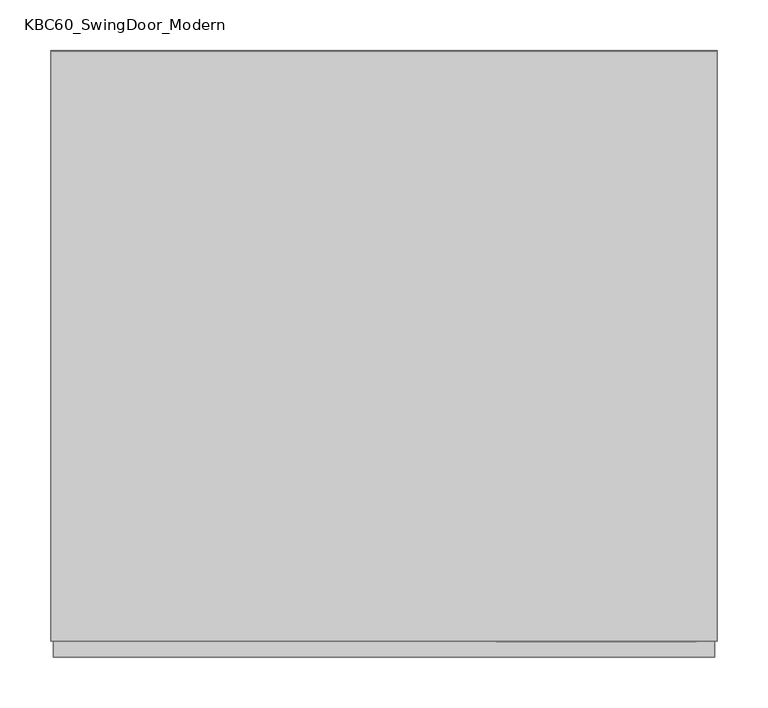
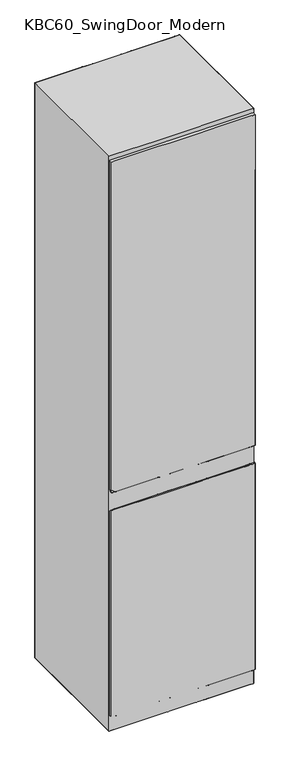
"""IFC4 building model written with IfcOpenShell, lengths in millimetres: furniture geometry, KBC60_SwingDoor_Modern."""

from ifc_helpers import new_model, si_unit, origin, place, context, project, spatial, triangles, source, transform, mapped, element, save


def kbc60_swingdoor_modern_7f71bb4e(model_context):
    return source(origin(), model_context, "Body", "Tessellation", [
        triangles([(-308.8261723, -594.3596841, 76.2000091), (-290.5381535, -594.3596875, 76.2000091), (-298.6496496, -594.3598677, 1047.8095167), (-308.8259907, -594.3598658, 1047.8095167), (-308.8261695, -579.1196805, 76.2000182), (322.5799277, -593.8994184, 76.1999046), (340.867913, -579.1196735, 76.1998955), (340.8679102, -594.3596953, 76.1998955), (-290.5381144, -579.5799392, 76.2000091), (-308.8259879, -579.1198622, 1047.8095167), (-290.537969, -579.1198656, 1018.465523), (-308.8259897, -589.1091144, 1047.8095167), (-308.8259907, -594.3598658, 1060.5095409), (-308.8259897, -589.2798525, 1060.5095409), (340.8680919, -594.1037516, 1047.8093714), (340.8680946, -579.1198552, 1047.8093714), (340.8680918, -594.359877, 1060.5094683), (-290.5379718, -594.3598692, 1047.9825439), (322.5799667, -579.1197065, 105.5437939), (-290.5379708, -589.2798559, 1060.5095409), (322.5801121, -579.1198518, 1047.8093714), (340.8680928, -589.2798455, 1060.5094683), (-290.5379354, -594.3598692, 1060.5095409), (322.5801102, -589.2798421, 1060.5094683), (-308.8259906, -594.1037405, 1047.8095167), (340.8680918, -594.359877, 1047.8093714), (322.5801093, -594.3598736, 1047.8093714), (322.5801093, -594.3598736, 1060.1193758), (-94.1298386, -594.3597057, 76.1999727), (-290.5379354, -594.3598692, 1034.5714439), (-290.5381506, -579.1196839, 76.2000091), (-94.1298358, -579.1196839, 76.1999773), (-94.1298367, -584.1526797, 76.1999773), (-94.1297177, -579.1198111, 726.9375326), (-94.1296751, -594.3598692, 1051.8583248), (-290.537969, -579.1198656, 1047.8095167), (-94.1296723, -579.1198656, 1047.8095167), (-290.5379327, -579.4266964, 1048.1930689), (-94.1296741, -589.2798559, 1060.5095409), (-94.1296729, -582.475184, 1052.0037374), (-94.1296751, -594.3598692, 1060.5095409), (-290.5379354, -594.3598692, 1047.8095167), (-94.1297205, -594.3598147, 738.0604002), (-94.1296751, -594.3598692, 1047.8095167), (-94.1298358, -579.4375606, 76.1999773), (-48.2348083, -579.4015974, 76.1999727), (-94.1296723, -579.1198656, 1027.5442566), (-48.2346448, -579.1198741, 1029.8375759), (-94.1296728, -582.2632602, 1051.73871), (-48.2346273, -583.0572972, 1052.7313093), (-94.1296744, -590.9575333, 1060.5095409), (-48.2346289, -591.2486214, 1060.5095409), (-94.1297205, -594.3598147, 747.2027201), (-48.234693, -594.3598232, 671.2687649), (-48.2346294, -594.3598777, 1047.9154696), (-48.234802, -594.3597142, 76.1999637), (-48.2348083, -579.1196924, 76.1999727), (-48.2348004, -585.3077594, 76.1999637), (-48.2347084, -579.1198195, 653.2968241), (-48.2346294, -594.3598777, 1052.8374075), (-48.2346357, -579.1198741, 1047.8095167), (-48.2346285, -589.2798644, 1060.5095409), (-48.2346274, -583.2452581, 1052.966324), (-48.2346294, -594.3598777, 1060.5095409), (-48.234693, -594.3598232, 663.1609749), (-48.2348, -583.5831191, 76.1999637), (80.2765648, -582.1709652, 76.19995), (-48.2346902, -579.1198195, 763.2489063), (80.2766971, -579.1198433, 853.2793848), (-48.2346359, -580.2696222, 1049.2466383), (80.2767327, -583.1203259, 1052.8100836), (-48.2346286, -589.8547566, 1060.5095409), (80.2767312, -591.2801112, 1060.5095409), (-48.2346476, -594.3598777, 937.8573618), (80.276667, -594.3598288, 665.2425339), (-48.2346294, -594.3598777, 1051.4000679), (80.2767306, -594.3598833, 1050.2640907), (80.2765653, -579.3123824, 76.19995), (80.2767334, -579.1198615, 1035.5236387), (80.2767323, -585.0260053, 1055.1922056), (80.276731, -592.2329782, 1060.5095409), (80.2766352, -594.3597925, 482.998389), (80.2767306, -594.3598833, 1047.8095167), (80.2765671, -594.3597016, 76.199941), (80.2765654, -579.1196798, 76.19995), (80.2765637, -588.1716346, 76.199941), (80.2766335, -579.1197707, 470.7124746), (80.2767351, -594.3598833, 1055.2647303), (80.2767334, -579.1198615, 1047.8095167), (80.2767315, -589.27987, 1060.5095409), (80.2767323, -585.154504, 1055.3529516), (80.2767351, -594.3598833, 1060.5095409), (80.2766307, -594.3597925, 477.4557767), (80.2765646, -583.3499449, 76.199941), (126.1716149, -582.560285, 76.1999319), (80.276688, -579.1198433, 778.1143507), (126.1717336, -579.1198155, 828.4562634), (80.2767328, -582.3343092, 1051.8275854), (126.1717782, -583.6307502, 1053.4480534), (80.2767312, -590.887112, 1060.5095409), (126.1717767, -591.5353186, 1060.5094683), (80.2766806, -594.3598288, 740.4074953), (126.1716945, -594.3598009, 616.4249468), (80.2767306, -594.3598833, 1051.2466616), (126.1717762, -594.3598554, 1050.6049129), (126.171606, -581.6013864, 76.1999319), (126.1717427, -579.1198155, 889.5908312), (126.1717781, -584.2700462, 1054.2471325), (126.1717767, -591.8549756, 1060.5094683), (126.1716945, -594.3597646, 555.2905243), (126.1717762, -594.3598554, 1049.8057611), (126.1716064, -579.2764011, 76.1999319), (126.17177, -579.1198518, 1037.8168854), (126.1717778, -585.8200061, 1056.1846596), (126.1717765, -592.6299828, 1060.5094683), (126.1716672, -594.3597464, 407.0644338), (126.1717762, -594.3598554, 1047.8093714), (126.1716127, -594.3596738, 76.1999319), (126.1716137, -589.3266961, 76.1999319), (126.1716519, -579.1197246, 397.0718751), (126.1717762, -594.3598554, 1056.2436676), (126.171779, -579.1198518, 1047.8093714), (126.1717772, -589.2798421, 1060.5094683), (126.1717778, -585.9245418, 1056.3153202), (126.1717762, -594.3598554, 1060.5094683), (126.1716581, -594.3597464, 402.5564604), (126.1716142, -586.4819388, 76.1999319), (322.5799303, -579.7929575, 76.1999046), (126.1716973, -579.119761, 578.4347511), (322.5801121, -579.1198518, 1004.8848112), (126.1717787, -581.0163385, 1050.1799389), (322.5801103, -588.524147, 1059.5648312), (126.171777, -590.2280946, 1060.5094683), (322.5801093, -593.9820079, 1060.5094683), (126.1717399, -594.3598373, 866.4465317), (322.5799639, -594.3597101, 148.4683268), (126.1717762, -594.3598554, 1053.8729548), (322.5801093, -594.3598736, 1048.363916), (322.5799304, -579.4343312, 76.1999046), (322.5801121, -579.1198518, 1027.749404), (322.5801103, -588.7632312, 1059.8637228), (322.5799639, -594.3597101, 125.603725), (322.5801093, -594.3598736, 1048.065097), (322.5801121, -579.1198518, 1033.3401964), (322.5799639, -594.3597101, 120.0129598), (322.5799304, -579.1340043, 76.1999046), (322.5801121, -579.1198518, 1046.8954737), (322.5801103, -588.963437, 1060.1139256), (322.5801093, -594.2016711, 1060.5094683), (322.5799639, -594.3597101, 106.4576099), (322.5799276, -594.3596919, 76.1999046), (322.5799639, -594.3597101, 106.0453621), (322.5799302, -580.0531161, 76.1999046), (322.5801121, -579.1198518, 988.299123), (322.5801104, -588.3507019, 1059.3479839), (322.5799639, -594.3597101, 165.0540423), (322.5801093, -594.3598736, 1048.5806179), (322.5801274, -594.3596919, 1157.9745947), (335.1101584, -594.3596943, 1158.2399855), (322.5801274, -594.3596919, 1158.2399855), (126.1717944, -594.3596738, 1158.2399855), (322.5801274, -594.3596919, 1190.9536137), (126.1718852, -594.3597646, 1665.3098339), (-308.8259534, -589.2797071, 1145.5401066), (-290.5379345, -589.2797105, 1145.5401066), (-308.8259543, -594.3596841, 1145.5401066), (340.8060498, -594.3596953, 1145.5400339), (-308.8259515, -579.1196987, 1158.2400581), (-308.8256972, -579.1199712, 2724.15), (-290.5376783, -579.1199746, 2676.8525963), (-308.8259543, -594.2163063, 1158.2400581), (-308.8257, -594.3599566, 2724.15), (-290.5379326, -579.1197021, 1158.2400581), (322.5801274, -594.3596919, 1145.5400339), (340.8060508, -589.2797002, 1145.5400339), (322.5801284, -589.2796968, 1145.5400339), (340.8060526, -579.1197098, 1158.2399855), (340.8060508, -589.184121, 1158.2399855), (340.806307, -579.1199824, 2724.15), (340.8063042, -594.3599497, 2724.15), (322.5803999, -594.3599463, 2724.15), (322.5801303, -579.1197065, 1205.3768612), (340.8060498, -594.3596953, 1158.2399855), (-290.5376811, -594.35996, 2724.15), (322.5804028, -579.119979, 2724.15), (-290.5379354, -594.3596875, 1145.9272923), (-290.5379354, -594.3596875, 1158.2400581), (-94.1296651, -589.2797105, 1145.5401066), (-290.5379354, -594.2062449, 1145.5401066), (-94.129666, -594.3597057, 1145.5401066), (-94.1294633, -579.1199019, 2206.9586037), (-94.129645, -579.1197202, 1158.2400581), (-290.5379344, -588.9728252, 1145.9237314), (-94.1296644, -585.9240651, 1149.7347633), (-94.1294661, -594.3598692, 2202.0468395), (-290.5376811, -594.35996, 2676.4032051), (-290.5376783, -579.1199746, 2724.15), (-94.1293725, -579.1199746, 2724.15), (-94.1293753, -594.35996, 2724.15), (-290.5376784, -579.5803026, 2724.15), (-94.1293734, -584.1534791, 2724.15), (-94.129666, -594.3597057, 1149.7744411), (-94.1296478, -594.3597057, 1158.2400581), (-94.129666, -594.3597057, 1145.8075321), (-48.2346113, -594.3597142, 1145.7772287), (-94.1296657, -592.6818648, 1145.5401066), (-48.2346109, -592.3907937, 1145.5401066), (-94.1296645, -586.1359889, 1149.4697359), (-48.2346096, -585.341878, 1150.4624079), (-48.2344387, -594.3598595, 2111.2830482), (-94.1294661, -594.3598692, 2234.8749229), (-94.1293725, -579.1199746, 2691.4871681), (-48.2343541, -579.1199831, 2695.1843262), (-94.1293734, -583.8355661, 2724.15), (-48.234337, -585.0267446, 2724.15), (-48.2346103, -589.279719, 1145.5401066), (-48.2346113, -594.3597142, 1145.5401066), (-48.234454, -579.1198741, 2088.2623604), (-48.2346175, -579.1197287, 1158.2400581), (-48.2346096, -585.1539534, 1150.6973499), (-48.2344478, -594.3598595, 2082.2234848), (-48.234345, -579.1199831, 2724.15), (-48.2343388, -594.3599685, 2724.15), (-48.2343371, -585.308686, 2724.15), (-48.2346113, -594.3597142, 1150.7462568), (-48.2346113, -594.3597142, 1158.2400581), (-48.2346113, -594.3597142, 1149.2951826), (80.2767578, -594.3597016, 1148.1069557), (-48.2346112, -593.7847311, 1145.5401066), (80.2767537, -592.3591515, 1145.5401066), (-48.2346101, -588.1298074, 1146.9775188), (80.276755, -585.2786607, 1150.5414001), (80.2769168, -594.359847, 2098.7000954), (-48.234366, -594.3599504, 2544.3917862), (-48.2344268, -579.1199104, 2265.4952923), (80.2769787, -579.1199342, 2410.6313461), (-48.2343453, -580.8448959, 2724.15), (80.2770321, -585.1215845, 2724.15), (80.2767578, -594.3597016, 1145.7022333), (80.2767538, -591.4063208, 1145.5401066), (80.2767553, -583.3729631, 1152.9235949), (80.2768668, -594.3598288, 1804.8495724), (80.2770286, -579.1199887, 2704.3500458), (80.2770315, -587.980131, 2724.15), (80.2767497, -589.2797246, 1145.5401066), (80.2767533, -594.3597016, 1145.5401066), (80.2768606, -579.1198433, 1793.9672424), (80.2767516, -579.1197162, 1158.2400581), (80.2767508, -583.2444825, 1153.0841228), (80.2768623, -594.3597925, 1785.1334793), (80.2770241, -579.1199887, 2724.15), (80.2770258, -594.3599741, 2724.15), (80.2770224, -588.1728518, 2724.15), (80.2767351, -594.3597016, 1153.1557028), (80.2767351, -594.3597016, 1158.2400581), (80.2767578, -594.3597016, 1149.0987556), (126.1717944, -594.3596738, 1148.4341887), (80.2767581, -592.7521871, 1145.5401066), (126.1717948, -592.1038158, 1145.5400339), (80.2767548, -586.0646956, 1149.558902), (126.1717962, -584.7679809, 1151.1796606), (126.1719397, -594.3598373, 2017.590802), (80.2769395, -594.3598833, 2220.6602383), (80.276956, -579.1198978, 2289.4819096), (126.1720061, -579.1199063, 2370.6385838), (80.2770323, -583.9425141, 2724.15), (126.1720685, -585.8875347, 2724.15), (126.1717944, -594.3596738, 1147.6276245), (126.1717949, -591.7841587, 1145.5400339), (126.1717963, -584.1287212, 1151.9787397), (126.1719307, -594.3598009, 1918.9418816), (126.1720243, -579.1199063, 2469.1681801), (126.1720683, -586.8464514, 2724.15), (126.1717944, -594.3596738, 1145.6718573), (126.171795, -591.0092424, 1145.5400339), (126.1717966, -582.5788158, 1153.9161215), (126.1718852, -594.3597646, 1681.257407), (126.1720697, -579.1199608, 2708.0469131), (126.1720679, -589.1712732, 2724.15), (126.1717953, -589.2796968, 1145.5400339), (126.171879, -579.1197791, 1675.2708538), (126.1717881, -579.1196883, 1158.2399855), (126.1717966, -582.4743346, 1154.0466368), (126.1720697, -579.1199608, 2724.15), (126.1720669, -594.3599463, 2724.15), (126.1717944, -594.3596738, 1154.1273731), (126.1717944, -594.3596738, 1151.7336239), (322.5801274, -594.3596919, 1146.1046797), (126.1717946, -593.4111852, 1145.5400339), (322.5801283, -589.6563816, 1145.5400339), (126.1717957, -587.3827195, 1147.9111828), (322.5801301, -579.8730217, 1157.2983278), (322.5801274, -594.3596919, 1239.9548378), (126.1720215, -594.3598918, 2424.8442867), (126.1719335, -579.1198518, 1967.6409439), (322.5804028, -579.119979, 2655.1800819), (126.1720692, -581.9654085, 2724.15), (322.5804002, -593.2299644, 2724.15), (322.5801274, -594.3596919, 1145.803826), (322.5801302, -579.6346641, 1157.5962021), (322.5801274, -594.3596919, 1213.6808601), (322.5804028, -579.119979, 2691.9208626), (322.5804001, -593.587537, 2724.15), (322.5801274, -594.3596919, 1207.3164957), (322.5804028, -579.119979, 2700.9037445), (322.5801302, -579.435076, 1157.8457508), (322.5801274, -594.3596919, 1191.9824026), (322.5804028, -579.119979, 2722.6817757), (322.5804, -593.9011988, 2724.15), (322.5801303, -579.1197065, 1158.2399855), (322.5801274, -594.3596919, 1146.322835), (322.5801301, -580.0459581, 1157.082062), (322.5801274, -594.3596919, 1259.2645603), (322.5803664, -579.1199427, 2628.5253136), (322.5804002, -592.9705325, 2724.15), (-310.8581676, -579.1196075, 1.31e-05), (-310.8581695, 0.0004943, 0.0001143), (-290.5381561, -19.3035274, 0.0001074), (126.1715974, -579.1195975, 52.7056764), (322.5799304, -579.1196156, 5.3015489), (-310.857698, -4.826028, 2724.15), (-310.8576589, -579.120098, 2743.2), (-310.8576971, 3.8e-06, 2743.2), (-310.858164, -559.8155714, 76.2000273), (342.8999292, -579.1196194, -0.0001013), (322.5798976, -559.8155977, -9.43e-05), (342.8999092, 0.0004823, 0.0), (342.8999056, -19.3035174, 76.2), (-305.7776274, -579.1200989, 2724.15), (-290.5376783, -579.1201017, 2724.6302032), (337.82035, 1.09e-05, 2724.15), (322.5804009, 1.37e-05, 2724.6302032), (342.9003997, 1e-05, 2743.2), (-290.5381525, 0.0004905, 0.0001108), (-290.5381525, 0.0004905, 76.2001181), (-94.1298376, 0.0004905, 52.7058218), (342.9004024, -574.29406, 2724.15), (342.9004016, -579.1200917, 2743.2), (-290.5376783, -579.1201017, 2743.2), (322.5804009, 1.37e-05, 2743.2), (-290.5381506, -579.1196112, 2.6275984), (-310.8581676, -579.1196075, 76.2000273), (80.2767198, -579.119807, 974.6598392), (126.1717336, -579.119761, 793.4746777), (109.7248587, -579.1198124, 1047.8095167), (-310.8579859, -579.1197891, 1047.8095894), (-310.8579839, -371.5866491, 1047.8095894), (-310.8581695, 0.0004943, 76.2001181), (342.8999292, -579.1196194, 76.1999046), (342.9000706, -207.5328348, 1047.8095894), (342.9001109, -579.1198011, 1047.8095167), (-310.8579878, 0.0003126, 1047.8097347), (-94.1298013, 0.0004905, 76.2000818), (-77.6827492, 0.0002876, 1047.8097347), (-48.2346376, 0.0002822, 974.6599846), (322.5799104, 0.0004861, 2.6275896), (342.8999092, 0.0004823, 76.2000091), (342.900109, 0.0003007, 1047.8095894), (-310.8579835, -566.3064361, 1047.8095167), (-310.8579474, -567.2711301, 1158.2400581), (329.4123804, -579.1197986, 1047.8093714), (330.4278707, -579.1198169, 1158.2399855), (322.5801303, -579.1198155, 1154.0326841), (-297.3702573, 0.0003101, 1047.8095894), (-290.5379708, 0.0003088, 1047.8095894), (-298.385675, 0.000274, 1158.2402035), (-290.5379708, 0.0002725, 1154.0329748), (342.9001066, -12.8130524, 1047.8095167), (342.9001068, -11.8484129, 1158.2400581), (-290.5381143, -579.1196476, 126.6753257), (-48.2346266, -579.1198377, 1123.4979927), (80.2767334, -579.119807, 1063.3699768), (-310.8579496, -579.1198255, 1158.2400581), (-310.8579423, -343.6109267, 1158.2400581), (342.9001381, -235.5085845, 1158.2400581), (342.9001472, -579.1198192, 1158.2399855), (-310.8579515, 0.0002763, 1158.2402035), (-48.2346194, 0.0002822, 1047.8097347), (-48.2346103, 0.000264, 1158.2402035), (80.2767588, 0.0002584, 1123.4979927), (322.5799467, 0.0004498, 126.6752802), (342.900109, 0.0002825, 1158.2400581), (-310.8579504, -387.211245, 1158.2400581), (-310.8576584, -576.424732, 2724.15), (322.5803664, -579.1200517, 2586.6985062), (126.1718426, -579.11987, 1451.496722), (-94.1296378, 0.0002725, 1158.2402035), (-290.5377165, 3.63e-05, 2586.6985062), (-94.1295924, 0.0002362, 1446.3060505), (342.9001098, -191.9082707, 1158.2400581), (342.9003992, -2.6953742, 2724.15), (-310.8576589, -578.9536837, 2724.15), (322.5803664, -579.1200517, 2567.8580864), (342.7252306, -579.1200917, 2724.15), (126.171779, -579.1197791, 1056.6269291), (-290.5377165, 3.63e-05, 2567.8580864), (-310.6825261, 3.7e-06, 2724.15), (-94.1296741, 0.0002907, 1056.6271471), (342.9003997, -0.1664043, 2724.15), (-290.537969, -579.1197929, 1054.0136438), (-310.8576589, -579.120098, 2724.15), (342.9004016, -579.1200917, 2724.15), (-310.8576971, 3.8e-06, 2724.15), (322.5801284, 0.0002863, 1158.2400581), (322.580092, 0.0003044, 1054.0136438), (342.9003997, 1e-05, 2724.15), (-310.8576583, -575.8123602, 2724.15), (126.1718426, -579.11987, 1452.2702213), (322.5804028, -579.120088, 2742.5596321), (339.418601, -579.1200911, 2724.15), (-94.1295924, 0.0001998, 1452.2703667), (-48.2345376, 0.0001914, 1597.292474), (-290.5376801, 0.0, 2742.5596321), (-307.3758965, 3.1e-06, 2724.15), (342.9003991, -3.3077278, 2724.15), (340.0631656, -579.1200912, 2724.15), (322.5803664, -579.1200517, 2616.2748985), (-308.020443, 3.2e-06, 2724.15), (-290.5377165, 3.63e-05, 2616.2748985), (-290.5381506, -579.1196112, 9.5e-06), (-94.1298095, -191.9080536, 4.29e-05), (-94.1298267, -579.1196294, -2.48e-05), (-94.1298195, 0.0004905, 7.64e-05), (-94.1293452, -579.1201017, 2730.3557259), (-290.5376801, 0.0, 2743.2), (-94.1293471, 0.0, 2743.2), (-94.1293452, -579.1201017, 2743.2), (-290.5376837, -19.3039816, 2743.2), (-94.1293372, -191.908535, 2743.2), (-94.1298539, -579.1196294, 26.1218272), (-94.1296741, 0.0002907, 1047.8097347), (-94.1297358, -579.1197202, 577.9942257), (-290.5377165, 3.63e-05, 2612.4399582), (-94.1295924, 0.0001998, 1451.4970127), (-290.5379708, 0.0002725, 1158.2402035), (-94.1296632, -579.1198292, 1109.4856213), (-290.5376783, -579.1201017, 2657.2308289), (-94.1295269, -579.1199564, 1859.4299618), (-290.5376801, 0.0, 2724.15), (-94.1293744, 0.0, 2724.15), (-94.1293744, 0.0, 2736.8341095), (-94.1298539, -579.1196294, 1.8174162), (-48.2348174, -579.1196379, 1.6127631), (-94.1298401, -13.351656, 7.41e-05), (-48.2348124, -11.8481952, 6.63e-05), (-94.1293744, 0.0, 2742.7570038), (-48.2343287, -8.5e-06, 2742.8070007), (-48.2348011, 0.000482, 46.771105), (-48.2343338, -223.6601756, 2743.2), (-94.129362, -178.556434, 2743.2), (-94.1298358, -579.1196476, 110.5567419), (-48.2348083, -579.119656, 106.4851609), (-94.1296832, 0.0002907, 967.1580442), (-48.234792, 0.000482, 76.2000727), (-94.1296723, -579.1198111, 1050.9738585), (-48.2346357, -579.1198195, 1050.2061001), (-94.1295269, -579.1199564, 1890.7329929), (-48.2345176, -579.1199286, 1680.2099419), (-94.1293725, -579.1201017, 2724.4810844), (-48.234345, -579.1201102, 2724.4432961), (-94.1293834, 0.0, 2649.8245949), (-48.2343469, -8.5e-06, 2658.2993683), (-48.2348174, -235.5083168, 2.72e-05), (-48.2348174, -579.1196379, -3.29e-05), (-48.2348102, 0.000482, 6.84e-05), (-48.234345, -579.1201102, 2731.8018585), (-48.2343287, -8.5e-06, 2743.2), (-48.234345, -579.1201102, 2743.2), (-48.234336, -235.5087937, 2743.2), (-48.2348083, -579.1196379, 32.0565212), (-48.2346993, -579.1197469, 691.9983135), (-48.2345267, -579.1199286, 1657.9035999), (-48.2343287, -8.5e-06, 2724.15), (-48.2343287, -8.5e-06, 2735.3876862), (-48.2348083, -579.1196379, 23.1804801), (80.2765608, -579.1196253, 15.8877112), (-48.2348144, -170.299034, 3.86e-05), (80.2765601, -116.7216686, 2.55e-05), (-48.2343287, -8.5e-06, 2737.5509262), (80.2770449, 4.1e-06, 2739.3281433), (80.2770393, -226.8890993, 2743.2), (-48.2343408, -65.2092913, 2743.2), (-48.2347265, -579.1197287, 518.5271433), (80.2766108, -579.1196798, 371.0847622), (80.276677, 0.0003493, 691.9983862), (-48.2348011, 0.000482, 55.3512817), (80.2765726, 0.0004583, 61.9104289), (-48.2346266, -579.1198195, 1094.519529), (80.2767334, -579.119807, 1057.4124916), (80.2767406, 0.0002948, 1047.8095894), (-48.2344177, -579.1200194, 2274.0976742), (-48.234345, -579.1201102, 2729.6511177), (80.2770241, -579.1200977, 2727.90355), (80.2768996, 0.0001494, 1956.8594799), (80.2765563, -579.1196253, 1.1053441), (80.276562, -8.1205032, 4.45e-05), (80.2770449, 4.1e-06, 2742.9305397), (80.2765635, 0.0004583, 32.0566007), (80.2770374, -335.4902715, 2743.2), (80.2765699, -579.1196616, 96.3900739), (80.2765726, 0.0004583, 76.2000545), (80.2767334, -579.119807, 1048.3022919), (80.2770241, -579.1200977, 2724.3502785), (80.2770268, 4.1e-06, 2679.3114578), (80.2765499, -343.6107447, -1.42e-05), (80.2765472, -579.1196253, -5.53e-05), (80.2765544, 0.0004583, 4.59e-05), (80.2770241, -579.1200977, 2735.3876862), (80.2770358, 4.1e-06, 2743.2), (80.2770286, -579.1200977, 2743.2), (80.2770313, -343.6112261, 2743.2), (80.2765563, -579.1196253, 46.7709778), (80.2770313, 4.1e-06, 2724.15), (80.2770313, 4.1e-06, 2731.8018585), (80.2765608, -579.1196253, 21.9712902), (126.1715883, -579.1195975, 17.9036764), (80.2765609, -161.4156702, 1.77e-05), (126.1715984, -131.5323283, 1.49e-05), (80.2770449, 4.1e-06, 2737.8456757), (126.1720769, 1.37e-05, 2738.8368942), (126.1720751, -255.6787295, 2743.2), (80.2770385, -182.1950977, 2743.2), (80.2766335, -579.1197162, 486.7321727), (126.1716519, -579.1196701, 403.9434397), (80.2765726, 0.0004583, 56.0296378), (126.1716046, 0.0004861, 59.7638212), (126.1717953, 0.0002863, 1109.4856213), (80.2767406, 0.0002948, 997.6733328), (126.1717772, 0.0003226, 1006.955179), (80.2768451, 0.0001676, 1657.9035999), (80.2767588, 0.0002584, 1158.2400581), (126.1719316, 0.0001591, 1859.4299618), (126.1718044, 0.0002863, 1158.2400581), (80.2770241, -579.1200977, 2729.3711929), (126.1720697, -579.120088, 2728.3910202), (126.1715883, -579.1195975, 12.9463652), (126.1715961, -95.1126218, 2.13e-05), (126.1720769, 1.37e-05, 2740.04496), (126.1720774, -292.0984326, 2743.2), (126.1716428, -579.1196701, 311.6177161), (126.1717045, 0.0004134, 577.9942257), (126.1716137, 0.0004861, 64.5558888), (126.1717863, 0.0003226, 1047.8095894), (126.1720697, -579.120088, 2727.1989418), (126.1719679, 0.0001409, 2101.8814419), (126.1715883, -579.1195975, 0.900691), (126.1715943, -6.6170242, 3.67e-05), (126.1720769, 1.37e-05, 2742.9805367), (126.1716046, 0.0004861, 26.1218885), (126.1720701, -380.5940154, 2743.2), (126.1716065, -579.1196338, 92.3184838), (126.1716137, 0.0004861, 76.2000454), (126.1720697, -579.120088, 2724.3124901), (126.1720679, 1.37e-05, 2687.7862312), (126.1715965, -387.2110534, -2.98e-05), (126.1715883, -579.1195975, -6.34e-05), (126.1715955, 0.0004861, 3.79e-05), (126.1720697, -579.120088, 2736.8341095), (126.1720769, 1.37e-05, 2743.2), (126.1720697, -579.120088, 2743.2), (126.1720689, -387.2115257, 2743.2), (126.1720769, 1.37e-05, 2724.15), (126.1720769, 1.37e-05, 2730.3557259), (126.1715974, -579.1195975, 38.1121404), (322.5799304, -579.1196156, 3.8335911), (126.1715891, -279.9972056, -1.11e-05), (322.5799052, -28.1643463, -1.4e-06), (126.1720769, 1.37e-05, 2733.9121948), (322.5804009, 1.37e-05, 2742.2657547), (322.5803752, -531.6512558, 2743.2), (126.1720753, -107.2138454, 2743.2), (126.1717609, -579.1197791, 967.1578989), (126.1716046, 0.0004861, 40.2289716), (322.5799104, 0.0004861, 72.5816934), (126.1717318, 0.0003771, 757.8705282), (322.580092, 0.0003044, 1018.6447998), (126.1718498, 0.0002318, 1454.2055683), (322.5803646, 3.19e-05, 2625.8711151), (126.1718044, 0.0002863, 1129.9298676), (322.5801284, 0.0002863, 1155.3924122), (126.1720697, -579.120088, 2733.2776405), (322.5804028, -579.120088, 2724.9240807), (322.5803664, -579.1200517, 2612.4399582), (322.5799304, -579.1196156, 1.8008324), (322.5799079, -13.2303378, 1.2e-06), (322.5804009, 1.37e-05, 2742.7610733), (322.5803724, -546.5852825, 2743.2), (322.5799104, 0.0004861, 74.5466943), (322.580092, 0.0003044, 1043.7001019), (322.5804009, 1.37e-05, 2657.2308289), (322.5804028, -579.120088, 2724.5095711), (322.5799304, -579.1196156, 1.3021781), (322.5799086, -9.5668987, 1.9e-06), (322.5803718, -550.2487216, 2743.2), (322.5799104, 0.0004861, 75.0287234), (322.580092, 0.0003044, 1047.8095894), (322.5804009, 1.37e-05, 2675.9936371), (322.5799304, -579.1196156, 0.0905088), (322.5799103, -0.6651709, 3.4e-06), (322.5803701, -559.150413, 2743.2), (322.5799104, 0.0004861, 76.2000091), (322.5804009, 1.37e-05, 2721.3359276), (322.5799104, 0.0004861, 3.6e-06), (322.5804028, -579.120088, 2743.2), (322.58037, -559.8160882, 2743.2), (322.5804009, 1.37e-05, 2724.15), (322.5799032, -38.9489352, -3.3e-06), (322.5804009, 1.37e-05, 2741.9082184), (322.5803772, -520.8666306, 2743.2), (322.5799104, 0.0004861, 71.1626712), (322.5801121, -579.1197973, 1048.128974), (322.580092, 0.0003044, 1000.5511368), (322.5803646, 3.19e-05, 2602.9672806), (322.5801284, 0.0002863, 1153.3359243), (322.5804028, -579.120088, 2725.2258064)], [[1, 2, 3], [1, 4, 5], [6, 7, 8], [5, 9, 1], [5, 10, 11], [5, 12, 10], [12, 13, 14], [7, 15, 8], [15, 16, 17], [3, 18, 13], [7, 19, 16], [10, 14, 20], [21, 22, 16], [13, 23, 14], [24, 17, 22], [17, 16, 22], [1, 3, 4], [4, 3, 13], [4, 13, 25], [4, 25, 5], [14, 10, 12], [25, 12, 5], [13, 12, 25], [15, 17, 26], [15, 26, 8], [7, 16, 15], [26, 27, 8], [17, 28, 26], [2, 29, 30], [2, 30, 3], [31, 9, 5], [32, 9, 31], [9, 33, 2], [9, 2, 1], [5, 11, 31], [31, 11, 34], [18, 35, 23], [18, 23, 13], [11, 10, 36], [11, 36, 37], [10, 20, 38], [38, 20, 39], [38, 36, 10], [40, 36, 38], [23, 41, 20], [23, 20, 14], [42, 3, 30], [42, 30, 43], [18, 3, 42], [18, 42, 44], [45, 33, 9], [46, 33, 45], [34, 11, 47], [34, 47, 48], [49, 37, 36], [50, 37, 49], [51, 39, 20], [52, 39, 51], [44, 42, 53], [44, 53, 54], [35, 18, 44], [35, 44, 55], [29, 56, 43], [29, 43, 30], [45, 32, 57], [9, 32, 45], [33, 58, 29], [33, 29, 2], [31, 34, 32], [32, 34, 59], [35, 60, 41], [35, 41, 23], [11, 37, 47], [47, 37, 61], [38, 39, 40], [40, 39, 62], [49, 40, 63], [36, 40, 49], [41, 64, 51], [41, 51, 20], [42, 43, 53], [53, 43, 65], [66, 58, 33], [67, 58, 66], [59, 34, 68], [59, 68, 69], [70, 61, 37], [71, 61, 70], [72, 62, 39], [73, 62, 72], [55, 44, 74], [55, 74, 75], [60, 35, 76], [60, 76, 77], [66, 46, 78], [33, 46, 66], [34, 48, 68], [68, 48, 79], [70, 50, 80], [37, 50, 70], [72, 52, 81], [39, 52, 72], [44, 54, 74], [74, 54, 82], [35, 55, 76], [76, 55, 83], [56, 84, 65], [56, 65, 43], [45, 57, 46], [46, 57, 85], [58, 86, 56], [58, 56, 29], [32, 59, 57], [57, 59, 87], [60, 88, 64], [60, 64, 41], [47, 61, 48], [48, 61, 89], [40, 62, 63], [63, 62, 90], [49, 63, 50], [50, 63, 91], [64, 92, 52], [64, 52, 51], [53, 65, 54], [54, 65, 93], [94, 86, 58], [95, 86, 94], [87, 59, 96], [87, 96, 97], [98, 89, 61], [99, 89, 98], [100, 90, 62], [101, 90, 100], [83, 55, 102], [83, 102, 103], [88, 60, 104], [88, 104, 105], [94, 67, 106], [58, 67, 94], [59, 69, 96], [96, 69, 107], [98, 71, 108], [61, 71, 98], [100, 73, 109], [62, 73, 100], [55, 75, 102], [102, 75, 110], [60, 77, 104], [104, 77, 111], [66, 78, 67], [67, 78, 112], [68, 79, 69], [69, 79, 113], [70, 80, 71], [71, 80, 114], [72, 81, 73], [73, 81, 115], [74, 82, 75], [75, 82, 116], [76, 83, 77], [77, 83, 117], [84, 118, 93], [84, 93, 65], [46, 85, 78], [78, 85, 112], [86, 119, 84], [86, 84, 56], [57, 87, 85], [85, 87, 120], [88, 121, 92], [88, 92, 64], [48, 89, 79], [79, 89, 122], [63, 90, 91], [91, 90, 123], [50, 91, 80], [80, 91, 124], [92, 125, 81], [92, 81, 52], [54, 93, 82], [82, 93, 126], [127, 119, 86], [128, 119, 127], [120, 87, 129], [120, 129, 130], [131, 122, 89], [132, 122, 131], [133, 123, 90], [134, 123, 133], [117, 83, 135], [117, 135, 136], [121, 88, 137], [121, 137, 138], [127, 95, 139], [86, 95, 127], [87, 97, 129], [129, 97, 140], [131, 99, 141], [89, 99, 131], [133, 101, 134], [90, 101, 133], [83, 103, 135], [135, 103, 142], [88, 105, 137], [137, 105, 143], [94, 106, 95], [95, 106, 139], [96, 107, 97], [97, 107, 144], [98, 108, 99], [99, 108, 141], [100, 109, 101], [101, 109, 134], [102, 110, 103], [103, 110, 145], [104, 111, 105], [105, 111, 143], [67, 112, 106], [106, 112, 146], [69, 113, 107], [107, 113, 147], [71, 114, 108], [108, 114, 148], [73, 115, 109], [109, 115, 149], [75, 116, 110], [110, 116, 150], [77, 117, 111], [111, 117, 27], [118, 151, 126], [118, 126, 93], [119, 6, 118], [119, 118, 84], [85, 120, 112], [112, 120, 19], [121, 28, 125], [121, 125, 92], [79, 122, 113], [113, 122, 21], [91, 123, 124], [124, 123, 24], [80, 124, 114], [114, 124, 148], [125, 149, 115], [125, 115, 81], [82, 126, 116], [116, 126, 152], [153, 6, 119], [7, 6, 153], [19, 120, 154], [19, 154, 16], [155, 21, 122], [22, 21, 155], [134, 24, 123], [17, 24, 134], [27, 117, 156], [27, 156, 8], [28, 121, 157], [28, 157, 26], [153, 128, 7], [119, 128, 153], [120, 130, 154], [154, 130, 16], [155, 132, 22], [122, 132, 155], [117, 136, 156], [156, 136, 8], [121, 138, 157], [157, 138, 26], [127, 139, 128], [128, 139, 7], [129, 140, 130], [130, 140, 16], [131, 141, 132], [132, 141, 22], [133, 149, 134], [134, 149, 17], [135, 142, 136], [136, 142, 8], [137, 143, 138], [138, 143, 26], [97, 144, 140], [140, 144, 16], [103, 145, 142], [142, 145, 8], [106, 146, 139], [139, 146, 7], [107, 147, 144], [144, 147, 16], [108, 148, 141], [141, 148, 22], [110, 150, 145], [145, 150, 8], [111, 27, 143], [143, 27, 26], [151, 8, 152], [151, 152, 126], [6, 8, 151], [6, 151, 118], [112, 19, 146], [146, 19, 7], [28, 17, 149], [28, 149, 125], [113, 21, 147], [147, 21, 16], [124, 24, 148], [148, 24, 22], [116, 152, 150], [150, 152, 8], [158, 159, 160], [158, 160, 161], [160, 159, 162], [160, 162, 163], [164, 165, 166], [158, 167, 159], [168, 169, 170], [166, 168, 164], [166, 171, 168], [171, 172, 169], [168, 173, 164], [174, 175, 167], [176, 177, 175], [178, 177, 179], [175, 178, 167], [159, 180, 181], [177, 182, 179], [183, 179, 180], [172, 184, 169], [185, 180, 179], [166, 186, 171], [171, 187, 172], [169, 168, 171], [175, 177, 178], [178, 179, 183], [178, 183, 167], [183, 159, 167], [180, 159, 183], [165, 188, 189], [165, 189, 166], [189, 186, 166], [190, 186, 189], [168, 170, 173], [173, 170, 191], [173, 192, 193], [173, 193, 164], [193, 165, 164], [194, 165, 193], [195, 184, 196], [196, 184, 172], [170, 169, 197], [170, 197, 198], [184, 199, 200], [184, 200, 169], [200, 197, 169], [201, 197, 200], [186, 202, 187], [186, 187, 171], [187, 203, 196], [187, 196, 172], [204, 202, 186], [205, 202, 204], [206, 190, 189], [207, 190, 206], [208, 188, 165], [209, 188, 208], [210, 199, 211], [211, 199, 184], [191, 170, 212], [191, 212, 213], [214, 198, 197], [215, 198, 214], [188, 216, 206], [188, 206, 189], [204, 190, 217], [186, 190, 204], [173, 191, 192], [192, 191, 218], [192, 219, 194], [192, 194, 193], [208, 194, 220], [165, 194, 208], [211, 195, 221], [184, 195, 211], [170, 198, 212], [212, 198, 222], [199, 223, 201], [199, 201, 200], [214, 201, 224], [197, 201, 214], [202, 225, 203], [202, 203, 187], [203, 226, 195], [203, 195, 196], [227, 225, 202], [228, 225, 227], [229, 217, 190], [230, 217, 229], [231, 216, 188], [232, 216, 231], [233, 223, 234], [234, 223, 199], [218, 191, 235], [218, 235, 236], [237, 222, 198], [238, 222, 237], [227, 205, 239], [202, 205, 227], [229, 207, 240], [190, 207, 229], [231, 209, 241], [188, 209, 231], [234, 210, 242], [199, 210, 234], [191, 213, 235], [235, 213, 243], [237, 215, 244], [198, 215, 237], [216, 245, 207], [216, 207, 206], [204, 217, 205], [205, 217, 246], [192, 218, 219], [219, 218, 247], [219, 248, 220], [219, 220, 194], [208, 220, 209], [209, 220, 249], [211, 221, 210], [210, 221, 250], [212, 222, 213], [213, 222, 251], [223, 252, 224], [223, 224, 201], [214, 224, 215], [215, 224, 253], [225, 254, 226], [225, 226, 203], [226, 255, 221], [226, 221, 195], [256, 254, 225], [257, 254, 256], [258, 246, 217], [259, 246, 258], [260, 245, 216], [261, 245, 260], [262, 252, 263], [263, 252, 223], [247, 218, 264], [247, 264, 265], [266, 251, 222], [267, 251, 266], [256, 228, 268], [225, 228, 256], [258, 230, 269], [217, 230, 258], [260, 232, 270], [216, 232, 260], [263, 233, 271], [223, 233, 263], [218, 236, 264], [264, 236, 272], [266, 238, 273], [222, 238, 266], [227, 239, 228], [228, 239, 274], [229, 240, 230], [230, 240, 275], [231, 241, 232], [232, 241, 276], [234, 242, 233], [233, 242, 277], [235, 243, 236], [236, 243, 278], [237, 244, 238], [238, 244, 279], [245, 280, 240], [245, 240, 207], [205, 246, 239], [239, 246, 274], [219, 247, 248], [248, 247, 281], [248, 282, 249], [248, 249, 220], [209, 249, 241], [241, 249, 283], [210, 250, 242], [242, 250, 163], [213, 251, 243], [243, 251, 284], [252, 285, 253], [252, 253, 224], [215, 253, 244], [244, 253, 279], [254, 286, 255], [254, 255, 226], [255, 161, 250], [255, 250, 221], [287, 286, 254], [288, 286, 287], [289, 274, 246], [290, 274, 289], [291, 280, 245], [292, 280, 291], [293, 285, 294], [294, 285, 252], [281, 247, 295], [281, 295, 296], [297, 284, 251], [298, 284, 297], [287, 257, 299], [254, 257, 287], [289, 259, 290], [246, 259, 289], [291, 261, 300], [245, 261, 291], [294, 262, 301], [252, 262, 294], [247, 265, 295], [295, 265, 302], [297, 267, 303], [251, 267, 297], [256, 268, 257], [257, 268, 299], [258, 269, 259], [259, 269, 290], [260, 270, 261], [261, 270, 300], [263, 271, 262], [262, 271, 304], [264, 272, 265], [265, 272, 305], [266, 273, 267], [267, 273, 303], [228, 274, 268], [268, 274, 174], [230, 275, 269], [269, 275, 176], [232, 276, 270], [270, 276, 306], [233, 277, 271], [271, 277, 307], [236, 278, 272], [272, 278, 308], [238, 279, 273], [273, 279, 309], [280, 176, 275], [280, 275, 240], [248, 281, 282], [282, 281, 182], [282, 310, 283], [282, 283, 249], [241, 283, 276], [276, 283, 306], [242, 163, 277], [277, 163, 162], [243, 284, 278], [278, 284, 185], [285, 181, 279], [285, 279, 253], [286, 158, 161], [286, 161, 255], [161, 160, 163], [161, 163, 250], [311, 158, 286], [167, 158, 311], [290, 174, 274], [175, 174, 290], [312, 176, 280], [177, 176, 312], [159, 181, 313], [313, 181, 285], [182, 281, 314], [182, 314, 179], [315, 185, 284], [180, 185, 315], [311, 288, 167], [286, 288, 311], [312, 292, 177], [280, 292, 312], [313, 293, 159], [285, 293, 313], [281, 296, 314], [314, 296, 179], [315, 298, 180], [284, 298, 315], [287, 299, 288], [288, 299, 167], [291, 300, 292], [292, 300, 177], [294, 301, 293], [293, 301, 159], [295, 302, 296], [296, 302, 179], [297, 303, 298], [298, 303, 180], [262, 304, 301], [301, 304, 159], [265, 305, 302], [302, 305, 179], [268, 174, 299], [299, 174, 167], [269, 176, 290], [290, 176, 175], [270, 306, 300], [300, 306, 177], [271, 307, 304], [304, 307, 159], [272, 308, 305], [305, 308, 179], [273, 309, 303], [303, 309, 180], [282, 182, 310], [310, 182, 177], [310, 177, 306], [310, 306, 283], [277, 162, 307], [307, 162, 159], [278, 185, 308], [308, 185, 179], [181, 180, 309], [181, 309, 279], [316, 317, 318], [319, 320, 146], [321, 322, 323], [316, 324, 317], [325, 326, 327], [325, 327, 328], [329, 330, 322], [331, 332, 333], [334, 335, 336], [337, 333, 338], [322, 339, 323], [338, 333, 340], [316, 341, 342], [343, 344, 345], [342, 324, 316], [346, 324, 342], [324, 347, 348], [324, 348, 317], [325, 328, 349], [349, 328, 350], [349, 146, 325], [351, 146, 349], [348, 335, 317], [352, 335, 348], [353, 354, 355], [356, 357, 327], [357, 328, 327], [358, 328, 357], [359, 347, 324], [360, 347, 359], [361, 21, 146], [362, 363, 361], [364, 365, 335], [366, 367, 364], [368, 350, 328], [369, 350, 368], [342, 370, 346], [371, 372, 248], [359, 346, 373], [324, 346, 359], [347, 374, 352], [347, 352, 348], [349, 350, 351], [351, 350, 375], [361, 351, 376], [146, 351, 361], [364, 352, 377], [335, 352, 364], [378, 379, 380], [381, 358, 357], [368, 358, 382], [328, 358, 368], [383, 374, 347], [384, 374, 383], [282, 248, 345], [385, 386, 282], [387, 379, 354], [388, 389, 387], [390, 375, 350], [391, 375, 390], [383, 360, 392], [347, 360, 383], [393, 362, 394], [345, 395, 282], [396, 366, 397], [354, 398, 387], [390, 369, 399], [350, 369, 390], [346, 400, 373], [373, 173, 329], [359, 373, 360], [360, 373, 401], [374, 321, 377], [374, 377, 352], [351, 375, 376], [376, 375, 337], [361, 376, 362], [362, 376, 402], [364, 377, 366], [366, 377, 403], [404, 331, 382], [405, 382, 358], [368, 382, 369], [369, 382, 406], [407, 321, 374], [322, 321, 407], [408, 251, 248], [338, 409, 410], [411, 412, 379], [323, 413, 414], [415, 337, 375], [333, 337, 415], [407, 384, 322], [374, 384, 407], [410, 416, 338], [417, 416, 410], [414, 418, 323], [419, 418, 414], [415, 391, 333], [375, 391, 415], [383, 392, 384], [384, 392, 322], [385, 394, 416], [416, 394, 338], [388, 397, 418], [418, 397, 323], [390, 399, 391], [391, 399, 333], [373, 329, 401], [401, 329, 322], [360, 401, 392], [392, 401, 322], [321, 323, 403], [321, 403, 377], [376, 337, 402], [402, 337, 338], [362, 402, 394], [394, 402, 338], [366, 403, 397], [397, 403, 323], [331, 333, 406], [331, 406, 382], [369, 406, 399], [399, 406, 333], [316, 318, 420], [420, 318, 421], [420, 341, 316], [422, 341, 420], [318, 317, 334], [318, 334, 423], [330, 424, 339], [330, 339, 322], [413, 323, 425], [413, 425, 426], [317, 335, 334], [339, 427, 428], [339, 428, 323], [429, 425, 428], [428, 425, 323], [341, 430, 31], [341, 31, 342], [31, 370, 342], [32, 370, 31], [431, 335, 365], [367, 398, 365], [367, 365, 364], [370, 432, 36], [370, 36, 346], [36, 400, 346], [37, 400, 36], [433, 388, 418], [434, 388, 433], [435, 396, 387], [366, 396, 435], [367, 366, 435], [367, 435, 387], [400, 436, 173], [400, 173, 373], [173, 192, 437], [173, 437, 329], [197, 329, 437], [197, 437, 438], [330, 329, 197], [330, 197, 198], [439, 419, 414], [440, 419, 439], [413, 441, 439], [413, 439, 414], [433, 419, 411], [418, 419, 433], [396, 388, 387], [397, 388, 396], [442, 430, 341], [443, 430, 442], [421, 318, 444], [421, 444, 445], [441, 413, 446], [441, 446, 447], [334, 336, 423], [423, 336, 448], [449, 426, 450], [450, 426, 425], [451, 432, 370], [452, 432, 451], [453, 353, 335], [354, 353, 453], [353, 336, 335], [454, 336, 353], [455, 436, 400], [456, 436, 455], [379, 387, 389], [367, 387, 398], [198, 197, 457], [198, 457, 458], [424, 330, 459], [424, 459, 460], [461, 411, 419], [462, 411, 461], [420, 421, 422], [422, 421, 463], [442, 422, 464], [341, 422, 442], [318, 423, 444], [444, 423, 465], [424, 466, 427], [424, 427, 339], [413, 426, 446], [446, 426, 467], [427, 468, 429], [427, 429, 428], [450, 429, 469], [425, 429, 450], [430, 470, 32], [430, 32, 31], [451, 32, 57], [370, 32, 451], [453, 431, 354], [335, 431, 453], [398, 354, 431], [398, 431, 365], [432, 471, 37], [432, 37, 36], [455, 37, 61], [400, 37, 455], [389, 434, 379], [388, 434, 389], [436, 371, 192], [436, 192, 173], [192, 219, 438], [192, 438, 437], [197, 438, 457], [457, 438, 472], [330, 198, 459], [459, 198, 222], [461, 440, 473], [419, 440, 461], [441, 474, 440], [441, 440, 439], [433, 411, 434], [434, 411, 379], [475, 470, 430], [476, 470, 475], [463, 421, 477], [463, 477, 478], [474, 441, 479], [474, 479, 480], [481, 467, 482], [482, 467, 426], [483, 471, 432], [484, 471, 483], [353, 355, 454], [454, 355, 485], [486, 448, 336], [487, 448, 486], [488, 371, 436], [489, 371, 488], [354, 379, 378], [378, 355, 354], [490, 355, 378], [222, 198, 491], [222, 491, 248], [466, 424, 492], [466, 492, 493], [494, 379, 412], [475, 443, 495], [430, 443, 475], [421, 445, 477], [477, 445, 496], [441, 447, 479], [479, 447, 497], [423, 448, 465], [465, 448, 498], [482, 449, 499], [426, 449, 482], [483, 452, 500], [432, 452, 483], [486, 454, 501], [336, 454, 486], [488, 456, 502], [436, 456, 488], [198, 458, 491], [491, 458, 248], [424, 460, 492], [492, 460, 503], [412, 462, 504], [411, 462, 412], [422, 463, 464], [464, 463, 505], [442, 464, 443], [443, 464, 506], [444, 465, 445], [445, 465, 507], [466, 508, 468], [466, 468, 427], [446, 467, 447], [447, 467, 509], [468, 510, 469], [468, 469, 429], [450, 469, 449], [449, 469, 511], [470, 512, 57], [470, 57, 32], [451, 57, 452], [452, 57, 85], [471, 343, 61], [471, 61, 37], [455, 61, 456], [456, 61, 89], [371, 248, 219], [371, 219, 192], [219, 248, 472], [219, 472, 438], [457, 472, 458], [458, 472, 248], [459, 222, 460], [460, 222, 251], [461, 473, 462], [462, 473, 513], [474, 514, 473], [474, 473, 440], [515, 512, 470], [516, 512, 515], [505, 463, 517], [505, 517, 518], [514, 474, 519], [514, 519, 520], [521, 509, 522], [522, 509, 467], [523, 343, 471], [524, 343, 523], [525, 498, 448], [526, 498, 525], [345, 248, 372], [378, 380, 490], [490, 380, 527], [528, 485, 355], [529, 485, 528], [530, 531, 379], [532, 531, 530], [531, 380, 379], [533, 380, 531], [222, 248, 251], [508, 466, 534], [508, 534, 535], [515, 476, 536], [470, 476, 515], [463, 478, 517], [517, 478, 537], [474, 480, 519], [519, 480, 538], [522, 481, 539], [467, 481, 522], [523, 484, 540], [471, 484, 523], [454, 485, 501], [501, 485, 541], [525, 487, 542], [448, 487, 525], [372, 489, 345], [371, 489, 372], [528, 490, 543], [355, 490, 528], [466, 493, 534], [534, 493, 544], [530, 494, 545], [379, 494, 530], [475, 495, 476], [476, 495, 546], [477, 496, 478], [478, 496, 547], [479, 497, 480], [480, 497, 548], [465, 498, 507], [507, 498, 549], [482, 499, 481], [481, 499, 550], [483, 500, 484], [484, 500, 551], [486, 501, 487], [487, 501, 552], [488, 502, 489], [489, 502, 345], [492, 503, 493], [493, 503, 553], [412, 504, 494], [494, 504, 554], [464, 505, 506], [506, 505, 555], [443, 506, 495], [495, 506, 556], [445, 507, 496], [496, 507, 557], [508, 558, 510], [508, 510, 468], [447, 509, 497], [497, 509, 559], [510, 560, 511], [510, 511, 469], [449, 511, 499], [499, 511, 561], [512, 319, 85], [512, 85, 57], [452, 85, 500], [500, 85, 112], [343, 345, 89], [343, 89, 61], [456, 89, 502], [502, 89, 345], [460, 251, 503], [503, 251, 284], [462, 513, 504], [504, 513, 562], [514, 563, 513], [514, 513, 473], [564, 319, 512], [565, 319, 564], [555, 505, 566], [555, 566, 567], [563, 514, 568], [563, 568, 569], [570, 559, 571], [571, 559, 509], [344, 146, 572], [344, 572, 345], [573, 549, 498], [574, 549, 573], [122, 345, 572], [122, 572, 146], [395, 345, 122], [395, 122, 21], [575, 541, 485], [576, 541, 575], [248, 282, 386], [363, 282, 395], [577, 533, 531], [578, 533, 577], [579, 527, 380], [580, 527, 579], [284, 408, 417], [251, 408, 284], [558, 508, 581], [558, 581, 582], [386, 408, 248], [583, 408, 386], [564, 516, 584], [512, 516, 564], [505, 518, 566], [566, 518, 585], [514, 520, 568], [568, 520, 586], [571, 521, 587], [509, 521, 571], [344, 524, 146], [343, 524, 344], [573, 526, 588], [498, 526, 573], [490, 527, 543], [543, 527, 405], [575, 529, 589], [485, 529, 575], [577, 532, 590], [531, 532, 577], [579, 533, 404], [380, 533, 579], [508, 535, 581], [581, 535, 591], [515, 536, 516], [516, 536, 592], [517, 537, 518], [518, 537, 593], [519, 538, 520], [520, 538, 586], [522, 539, 521], [521, 539, 594], [523, 540, 524], [524, 540, 146], [501, 541, 552], [552, 541, 381], [525, 542, 526], [526, 542, 595], [528, 543, 529], [529, 543, 596], [534, 544, 535], [535, 544, 591], [530, 545, 532], [532, 545, 597], [476, 546, 536], [536, 546, 598], [478, 547, 537], [537, 547, 599], [480, 548, 538], [538, 548, 340], [507, 549, 557], [557, 549, 356], [481, 550, 539], [539, 550, 600], [484, 551, 540], [540, 551, 146], [487, 552, 542], [542, 552, 601], [493, 553, 544], [544, 553, 185], [494, 554, 545], [545, 554, 602], [506, 555, 556], [556, 555, 326], [495, 556, 546], [546, 556, 598], [496, 557, 547], [547, 557, 603], [558, 409, 560], [558, 560, 510], [497, 559, 548], [548, 559, 340], [560, 604, 561], [560, 561, 511], [499, 561, 550], [550, 561, 605], [319, 146, 112], [319, 112, 85], [500, 112, 551], [551, 112, 146], [503, 284, 553], [553, 284, 185], [504, 562, 554], [554, 562, 606], [563, 332, 562], [563, 562, 513], [325, 146, 320], [326, 555, 607], [326, 607, 327], [332, 563, 608], [332, 608, 333], [338, 340, 609], [609, 340, 559], [610, 356, 549], [357, 356, 610], [122, 146, 21], [363, 395, 611], [363, 611, 361], [612, 381, 541], [358, 381, 612], [583, 385, 416], [386, 385, 583], [310, 393, 282], [362, 393, 310], [613, 404, 533], [331, 404, 613], [614, 405, 527], [382, 405, 614], [409, 558, 615], [409, 615, 410], [583, 417, 408], [416, 417, 583], [393, 385, 282], [394, 385, 393], [320, 565, 325], [319, 565, 320], [555, 567, 607], [607, 567, 327], [563, 569, 608], [608, 569, 333], [609, 570, 338], [559, 570, 609], [610, 574, 357], [549, 574, 610], [395, 21, 611], [611, 21, 361], [612, 576, 358], [541, 576, 612], [310, 363, 362], [282, 363, 310], [613, 578, 331], [533, 578, 613], [614, 580, 382], [527, 580, 614], [284, 417, 185], [185, 417, 410], [558, 582, 615], [615, 582, 410], [564, 584, 565], [565, 584, 325], [566, 585, 567], [567, 585, 327], [568, 586, 569], [569, 586, 333], [571, 587, 570], [570, 587, 338], [573, 588, 574], [574, 588, 357], [543, 405, 596], [596, 405, 358], [575, 589, 576], [576, 589, 358], [577, 590, 578], [578, 590, 331], [579, 404, 580], [580, 404, 382], [581, 591, 582], [582, 591, 410], [516, 592, 584], [584, 592, 325], [518, 593, 585], [585, 593, 327], [521, 594, 587], [587, 594, 338], [552, 381, 601], [601, 381, 357], [526, 595, 588], [588, 595, 357], [529, 596, 589], [589, 596, 358], [532, 597, 590], [590, 597, 331], [536, 598, 592], [592, 598, 325], [537, 599, 593], [593, 599, 327], [538, 340, 586], [586, 340, 333], [557, 356, 603], [603, 356, 327], [539, 600, 594], [594, 600, 338], [542, 601, 595], [595, 601, 357], [544, 185, 591], [591, 185, 410], [545, 602, 597], [597, 602, 331], [556, 326, 598], [598, 326, 325], [547, 603, 599], [599, 603, 327], [409, 338, 604], [409, 604, 560], [604, 338, 605], [604, 605, 561], [550, 605, 600], [600, 605, 338], [554, 606, 602], [602, 606, 331], [332, 331, 606], [332, 606, 562]], closed=False),
    ])


if __name__ == "__main__":
    model = new_model("IFC4")
    model_context = context("Model", 3, world=origin())
    ifc_project = project(units=[si_unit("LENGTHUNIT", "METRE", prefix="MILLI")], contexts=[model_context])
    site = spatial("IfcSite", under=ifc_project)
    building = spatial("IfcBuilding", under=site)
    placement = place(None, origin())
    kbc60_swingdoor_modern_shape = kbc60_swingdoor_modern_7f71bb4e(model_context)
    element("IfcFurniture", 1, ObjectType="KBC60_SwingDoor_Modern", at=placement, inside=building, context=model_context, shape_type="MappedRepresentation", body=[
        mapped(kbc60_swingdoor_modern_shape, transform((0.0, 0.0, 0.0), x_axis=(1.0, 0.0, 0.0), y_axis=(0.0, 1.0, 0.0), z_axis=(0.0, 0.0, 1.0))),
    ])
    save(model, "model.ifc")
